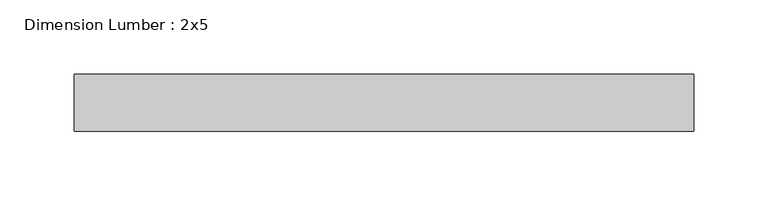
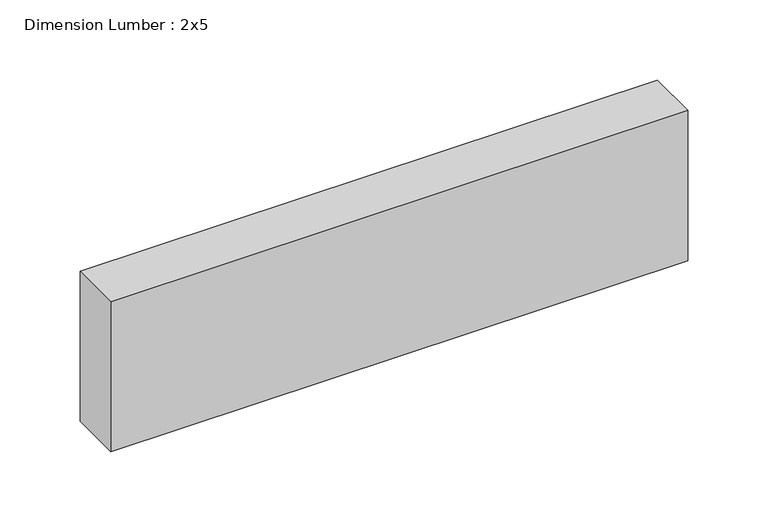
"""IFC4 building model written with IfcOpenShell, lengths in millimetres: beam geometry, Dimension Lumber : 2x5."""

from ifc_helpers import new_model, si_unit, frame, origin, place, context, project, spatial, polyline, outline, extrude, source, transform, mapped, element, save


def dimension_lumber_2x5_ebc334f6(model_context):
    return source(origin(), model_context, "Body", "SweptSolid", [
        extrude(outline(polyline([(207.9062666, 19.05), (207.9062666, -19.05), (-207.9062666, -19.05), (-207.9062666, 19.05), (207.9062666, 19.05)])), frame((0.0, 0.0, -57.15), z_axis=(0.0, 0.0, 1.0), x_axis=(1.0, 0.0, 0.0)), (0.0, 0.0, 1.0), 114.3),
    ])


if __name__ == "__main__":
    model = new_model("IFC4")
    model_context = context("Model", 3, world=origin())
    ifc_project = project(units=[si_unit("LENGTHUNIT", "METRE", prefix="MILLI")], contexts=[model_context])
    site = spatial("IfcSite", under=ifc_project)
    building = spatial("IfcBuilding", under=site)
    placement = place(None, origin())
    dimension_lumber_2x5_shape = dimension_lumber_2x5_ebc334f6(model_context)
    element("IfcBeam", 1, ObjectType="Dimension Lumber : 2x5", at=placement, inside=building, context=model_context, shape_type="MappedRepresentation", body=[
        mapped(dimension_lumber_2x5_shape, transform((0.0, 0.0, 0.0), x_axis=(1.0, 0.0, 0.0), y_axis=(0.0, 1.0, 0.0), z_axis=(0.0, 0.0, 1.0))),
    ])
    save(model, "model.ifc")
